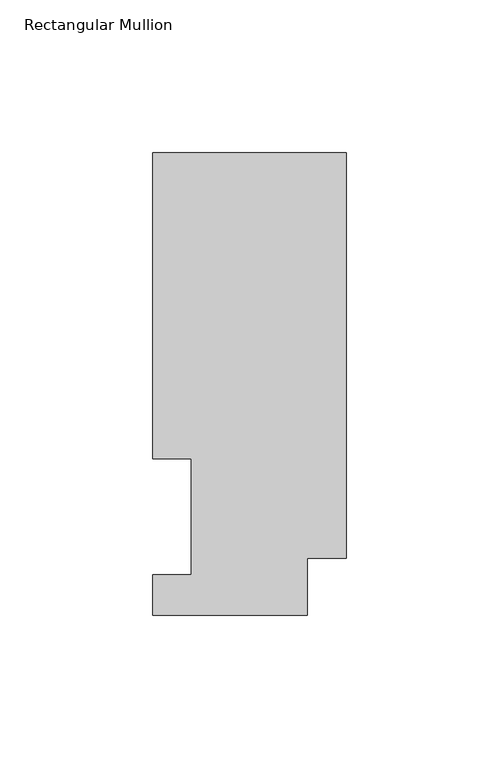
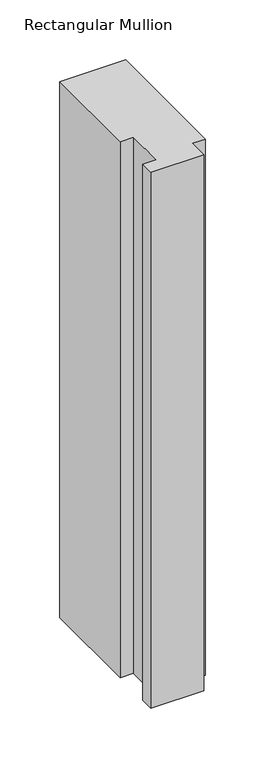
"""IFC4 building model written with IfcOpenShell, lengths in millimetres: member geometry, Rectangular Mullion."""

from ifc_helpers import new_model, si_unit, frame, origin, place, context, project, spatial, polyline, outline, extrude, source, transform, mapped, element, save


def rectangular_mullion_fe3a9d7e(model_context):
    return source(origin(), model_context, "Body", "SweptSolid", [
        extrude(outline(polyline([(0.0, 151.7022937), (0.0, 18.7332937), (-12.7, 18.7332937), (-12.7, 0.0134937), (-63.5, 0.0134937), (-63.5, 13.1960938), (-50.8, 13.1960938), (-50.8, 51.2960938), (-63.5, 51.2960938), (-63.5, 151.7022937), (0.0, 151.7022937)])), frame((0.0, 0.0, -546.1), z_axis=(0.0, 0.0, 1.0), x_axis=(1.0, 0.0, 0.0)), (0.0, 0.0, 1.0), 546.1),
    ])


if __name__ == "__main__":
    model = new_model("IFC4")
    model_context = context("Model", 3, world=origin())
    ifc_project = project(units=[si_unit("LENGTHUNIT", "METRE", prefix="MILLI")], contexts=[model_context])
    site = spatial("IfcSite", under=ifc_project)
    building = spatial("IfcBuilding", under=site)
    placement = place(None, origin())
    rectangular_mullion_shape = rectangular_mullion_fe3a9d7e(model_context)
    element("IfcMember", 1, ObjectType="Rectangular Mullion", at=placement, inside=building, context=model_context, shape_type="MappedRepresentation", body=[
        mapped(rectangular_mullion_shape, transform((0.0, 0.0, 0.0), x_axis=(1.0, 0.0, 0.0), y_axis=(0.0, 1.0, 0.0), z_axis=(0.0, 0.0, 1.0))),
    ])
    save(model, "model.ifc")
